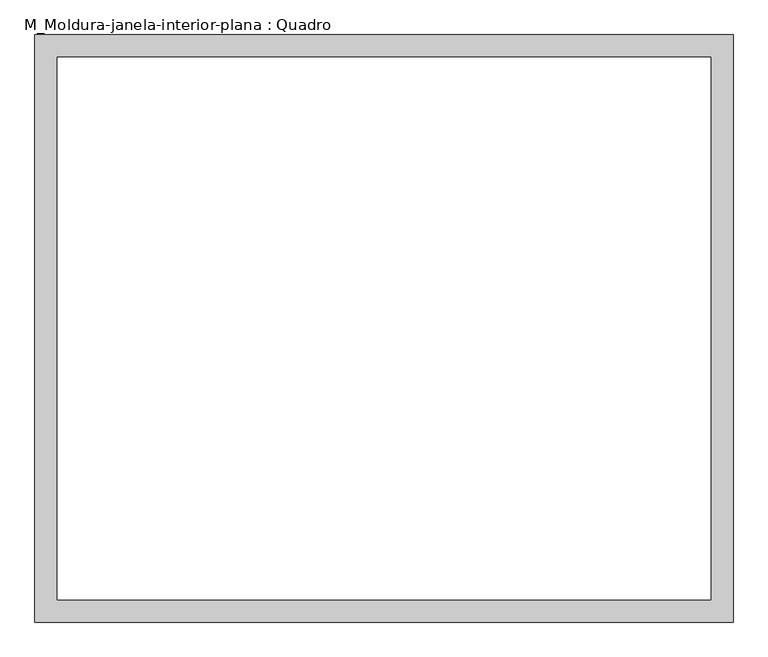
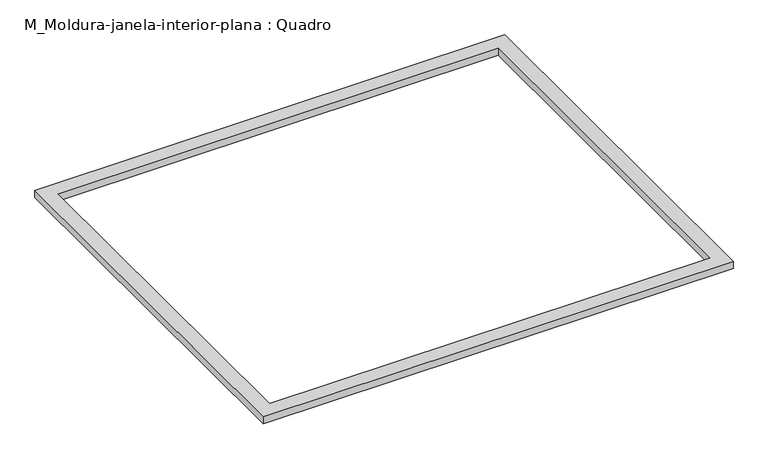
"""IFC4 building model written with IfcOpenShell, lengths in millimetres: proxy geometry, M_Moldura-janela-interior-plana : Quadro."""

from ifc_helpers import new_model, si_unit, origin, origin_with_axes, place, context, project, spatial, polyline, outline, extrude, source, transform, mapped, element, save


def m_moldura_janela_interior_plana_quadro_a12706b5(model_context):
    return source(origin(), model_context, "Body", "SweptSolid", [
        extrude(outline(polyline([(947.3, 47.3), (947.3, -1547.3), (-947.3, -1547.3), (-947.3, 47.3), (947.3, 47.3)]), holes=[polyline([(887.3, -12.7), (-887.3, -12.7), (-887.3, -1487.3), (887.3, -1487.3), (887.3, -12.7)])]), origin_with_axes(), (0.0, 0.0, 1.0), 30.0),
    ])


if __name__ == "__main__":
    model = new_model("IFC4")
    model_context = context("Model", 3, world=origin())
    ifc_project = project(units=[si_unit("LENGTHUNIT", "METRE", prefix="MILLI")], contexts=[model_context])
    site = spatial("IfcSite", under=ifc_project)
    building = spatial("IfcBuilding", under=site)
    placement = place(None, origin())
    m_moldura_janela_interior_plana_quadro_shape = m_moldura_janela_interior_plana_quadro_a12706b5(model_context)
    element("IfcBuildingElementProxy", 1, Name="M_Moldura-janela-interior-plana : Quadro", ObjectType="M_Moldura-janela-interior-plana : Quadro", at=placement, inside=building, context=model_context, shape_type="MappedRepresentation", body=[
        mapped(m_moldura_janela_interior_plana_quadro_shape, transform((0.0, 0.0, 0.0), x_axis=(1.0, 0.0, 0.0), y_axis=(0.0, 1.0, 0.0), z_axis=(0.0, 0.0, 1.0))),
    ])
    save(model, "model.ifc")
